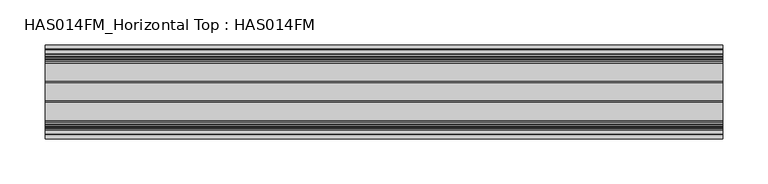
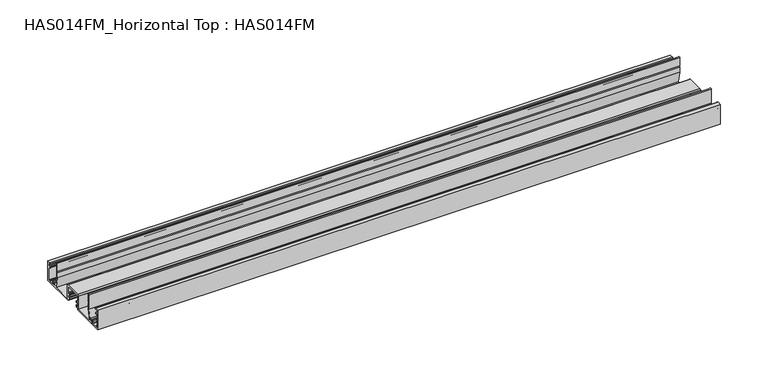
"""IFC4 building model written with IfcOpenShell, lengths in millimetres: beam geometry, HAS014FM_Horizontal Top : HAS014FM."""

from ifc_helpers import new_model, si_unit, point, frame, frame_2d, origin, place, context, project, spatial, polyline, circle_curve, trimmed, segment, composite_curve, outline, extrude, source, transform, mapped, element, save


def has014fm_horizontal_top_has014fm_cf0ab3ad(model_context):
    return source(origin(), model_context, "Body", "SweptSolid", [
        extrude(outline(composite_curve([segment(polyline([(9.7397316, -31.7708648), (8.0332081, -31.7708648)]), True, "CONTINUOUS"), segment(trimmed(circle_curve(frame_2d((8.0332081, -31.2689461)), 0.5019187), [point((8.0332081, -31.7708648))], [point((7.5312895, -31.2689461))], False, "CARTESIAN"), True, "CONTINUOUS"), segment(polyline([(7.5312895, -31.2689461), (7.5312895, -29.6635739)]), True, "CONTINUOUS"), segment(trimmed(circle_curve(frame_2d((8.0332081, -29.6635739)), 0.5019187), [point((7.5312895, -29.6635739))], [point((8.5351268, -29.6635739))], False, "CARTESIAN"), True, "CONTINUOUS"), segment(polyline([(8.5351268, -29.6635739), (8.5351268, -30.4658763), (9.940499, -30.4658763), (9.940499, -25.0451548), (8.5351268, -25.0451548), (8.5351268, -25.8474572)]), True, "CONTINUOUS"), segment(trimmed(circle_curve(frame_2d((8.0332081, -25.8474572)), 0.5019187), [point((8.5351268, -25.8474572))], [point((7.5312895, -25.8474572))], False, "CARTESIAN"), True, "CONTINUOUS"), segment(polyline([(7.5312895, -25.8474572), (7.5312895, -24.2420849)]), True, "CONTINUOUS"), segment(trimmed(circle_curve(frame_2d((8.0332081, -24.2420849)), 0.5019187), [point((7.5312895, -24.2420849))], [point((8.0332081, -23.7401663))], False, "CARTESIAN"), True, "CONTINUOUS"), segment(polyline([(8.0332081, -23.7401663), (9.7397316, -23.7401663), (9.7397316, -16.1110027), (-9.7397316, -16.1110027), (-9.7397316, -23.7401663), (-8.0332081, -23.7401663)]), True, "CONTINUOUS"), segment(trimmed(circle_curve(frame_2d((-8.0332081, -24.2420849)), 0.5019187), [point((-8.0332081, -23.7401663))], [point((-7.5312895, -24.2420849))], False, "CARTESIAN"), True, "CONTINUOUS"), segment(polyline([(-7.5312895, -24.2420849), (-7.5312895, -25.8474572)]), True, "CONTINUOUS"), segment(trimmed(circle_curve(frame_2d((-8.0332081, -25.8474572)), 0.5019187), [point((-7.5312895, -25.8474572))], [point((-8.5351268, -25.8474572))], False, "CARTESIAN"), True, "CONTINUOUS"), segment(polyline([(-8.5351268, -25.8474572), (-8.5351268, -25.0451548), (-9.940499, -25.0451548), (-9.940499, -30.4658763), (-8.5351268, -30.4658763), (-8.5351268, -29.6635739)]), True, "CONTINUOUS"), segment(trimmed(circle_curve(frame_2d((-8.0332081, -29.6635739)), 0.5019187), [point((-8.5351268, -29.6635739))], [point((-7.5312895, -29.6635739))], False, "CARTESIAN"), True, "CONTINUOUS"), segment(polyline([(-7.5312895, -29.6635739), (-7.5312895, -31.2689461)]), True, "CONTINUOUS"), segment(trimmed(circle_curve(frame_2d((-8.0332081, -31.2689461)), 0.5019187), [point((-7.5312895, -31.2689461))], [point((-8.0332081, -31.7708648))], False, "CARTESIAN"), True, "CONTINUOUS"), segment(polyline([(-8.0332081, -31.7708648), (-9.7397316, -31.7708648), (-9.7397316, -34.1298825), (-51.998773, -34.1298825), (-51.998773, -9.0339496), (-47.6822725, -9.0339496)]), True, "CONTINUOUS"), segment(trimmed(circle_curve(frame_2d((-47.6822725, -9.7366357)), 0.7026861), [point((-47.6822725, -9.0339496))], [point((-47.6822725, -10.4393218))], False, "CARTESIAN"), True, "CONTINUOUS"), segment(polyline([(-47.6822725, -10.4393218), (-50.6435926, -10.4393218), (-50.6435926, -13.7017931), (-48.9370692, -13.7017931)]), True, "CONTINUOUS"), segment(trimmed(circle_curve(frame_2d((-48.9370692, -14.504863)), 0.8030699), [point((-48.9370692, -13.7017931))], [point((-48.1339993, -14.504863))], False, "CARTESIAN"), True, "CONTINUOUS"), segment(polyline([(-48.1339993, -14.504863), (-48.1339993, -15.7094677)]), True, "CONTINUOUS"), segment(trimmed(circle_curve(frame_2d((-48.635918, -15.7094677)), 0.5019187), [point((-48.1339993, -15.7094677))], [point((-49.1378366, -15.7094677))], False, "CARTESIAN"), True, "CONTINUOUS"), segment(polyline([(-49.1378366, -15.7094677), (-49.1378366, -14.7056304), (-50.6435926, -14.7056304), (-50.6435926, -32.7747021), (-49.1378366, -32.7747021), (-49.1378366, -31.7708648)]), True, "CONTINUOUS"), segment(trimmed(circle_curve(frame_2d((-48.635918, -31.7708648)), 0.5019187), [point((-49.1378366, -31.7708648))], [point((-48.1339993, -31.7708648))], False, "CARTESIAN"), True, "CONTINUOUS"), segment(polyline([(-48.1339993, -31.7708648), (-48.1339993, -32.7747021), (-41.4082317, -32.7747021)]), True, "CONTINUOUS"), segment(trimmed(circle_curve(frame_2d((-38.9488879, -30.8679975)), 3.1118957), [point((-41.4082317, -32.7747021))], [point((-41.283567, -28.810531))], False, "CARTESIAN"), True, "CONTINUOUS"), segment(trimmed(circle_curve(frame_2d((-40.7187253, -29.3083052)), 0.752878), [point((-41.283567, -28.810531))], [point((-40.1538835, -29.8060793))], False, "CARTESIAN"), True, "CONTINUOUS"), segment(trimmed(circle_curve(frame_2d((-38.9488879, -30.8679975)), 1.6061397), [point((-40.1538835, -29.8060793))], [point((-38.9120232, -32.4737141))], True, "CARTESIAN"), True, "CONTINUOUS"), segment(trimmed(circle_curve(frame_2d((-38.9488879, -30.8679975)), 1.6061397), [point((-38.9120232, -32.4737141))], [point((-37.7438922, -29.8060793))], True, "CARTESIAN"), True, "CONTINUOUS"), segment(trimmed(circle_curve(frame_2d((-37.1790505, -29.3083052)), 0.752878), [point((-37.7438922, -29.8060793))], [point((-36.6142088, -28.810531))], False, "CARTESIAN"), True, "CONTINUOUS"), segment(polyline([(-36.6142088, -28.810531), (-35.692704, -29.7320358), (-33.4779745, -18.9347678), (-33.4779745, -0.6775902)]), True, "CONTINUOUS"), segment(trimmed(circle_curve(frame_2d((-32.8003843, -0.6775902)), 0.6775902), [point((-33.4779745, -0.6775902))], [point((-32.1227941, -0.6775902))], False, "CARTESIAN"), True, "CONTINUOUS"), segment(polyline([(-32.1227941, -0.6775902), (-32.1227941, -10.5402918), (-32.925864, -10.5402918), (-32.1227941, -12.4331683), (-32.1227941, -19.0723228), (-34.9335386, -32.7752884), (-11.2956794, -32.7752884), (-11.2956794, -15.7596596)]), True, "CONTINUOUS"), segment(trimmed(circle_curve(frame_2d((-10.0910746, -15.7596596)), 1.2046048), [point((-11.2956794, -15.7596596))], [point((-10.0910746, -14.5550548))], False, "CARTESIAN"), True, "CONTINUOUS"), segment(polyline([(-10.0910746, -14.5550548), (10.0910746, -14.5550548)]), True, "CONTINUOUS"), segment(trimmed(circle_curve(frame_2d((10.0910746, -15.7596596)), 1.2046048), [point((10.0910746, -14.5550548))], [point((11.2956794, -15.7596596))], False, "CARTESIAN"), True, "CONTINUOUS"), segment(polyline([(11.2956794, -15.7596596), (11.2956794, -32.7752884), (34.9335386, -32.7752884), (32.1227941, -19.0723228), (32.1227941, -12.4331683), (32.925864, -10.5402918), (32.1227941, -10.5402918), (32.1227941, -0.6775902)]), True, "CONTINUOUS"), segment(trimmed(circle_curve(frame_2d((32.8003843, -0.6775902)), 0.6775902), [point((32.1227941, -0.6775902))], [point((33.4779745, -0.6775902))], False, "CARTESIAN"), True, "CONTINUOUS"), segment(polyline([(33.4779745, -0.6775902), (33.4779745, -18.9347678), (35.692704, -29.7320358), (36.6142088, -28.810531)]), True, "CONTINUOUS"), segment(trimmed(circle_curve(frame_2d((37.1790505, -29.3083052)), 0.752878), [point((36.6142088, -28.810531))], [point((37.7438922, -29.8060793))], False, "CARTESIAN"), True, "CONTINUOUS"), segment(trimmed(circle_curve(frame_2d((38.9488879, -30.8679975)), 1.6061397), [point((37.7438922, -29.8060793))], [point((39.0041772, -32.4731853))], True, "CARTESIAN"), True, "CONTINUOUS"), segment(trimmed(circle_curve(frame_2d((38.9488879, -30.8679975)), 1.6061397), [point((39.0041772, -32.4731853))], [point((40.1538836, -29.8060793))], True, "CARTESIAN"), True, "CONTINUOUS"), segment(trimmed(circle_curve(frame_2d((40.7187253, -29.3083052)), 0.752878), [point((40.1538836, -29.8060793))], [point((41.283567, -28.810531))], False, "CARTESIAN"), True, "CONTINUOUS"), segment(trimmed(circle_curve(frame_2d((38.9488879, -30.8679975)), 3.1118957), [point((41.283567, -28.810531))], [point((41.4082317, -32.7747021))], False, "CARTESIAN"), True, "CONTINUOUS"), segment(polyline([(41.4082317, -32.7747021), (48.1339993, -32.7747021), (48.1339993, -31.7708648)]), True, "CONTINUOUS"), segment(trimmed(circle_curve(frame_2d((48.635918, -31.7708648)), 0.5019187), [point((48.1339993, -31.7708648))], [point((49.1378366, -31.7708648))], False, "CARTESIAN"), True, "CONTINUOUS"), segment(polyline([(49.1378366, -31.7708648), (49.1378366, -32.7747021), (50.6435926, -32.7747021), (50.6435926, -14.7056304), (49.1378366, -14.7056304), (49.1378366, -15.7094677)]), True, "CONTINUOUS"), segment(trimmed(circle_curve(frame_2d((48.635918, -15.7094677)), 0.5019187), [point((49.1378366, -15.7094677))], [point((48.1339993, -15.7094677))], False, "CARTESIAN"), True, "CONTINUOUS"), segment(polyline([(48.1339993, -15.7094677), (48.1339993, -14.504863)]), True, "CONTINUOUS"), segment(trimmed(circle_curve(frame_2d((48.9370692, -14.504863)), 0.8030699), [point((48.1339993, -14.504863))], [point((48.9370692, -13.7017931))], False, "CARTESIAN"), True, "CONTINUOUS"), segment(polyline([(48.9370692, -13.7017931), (50.6435926, -13.7017931), (50.6435926, -10.4393218), (47.6822725, -10.4393218)]), True, "CONTINUOUS"), segment(trimmed(circle_curve(frame_2d((47.6822725, -9.7366357)), 0.7026861), [point((47.6822725, -10.4393218))], [point((47.6822725, -9.0339496))], False, "CARTESIAN"), True, "CONTINUOUS"), segment(polyline([(47.6822725, -9.0339496), (51.998773, -9.0339496), (51.998773, -34.1298825), (9.7397316, -34.1298825), (9.7397316, -31.7708648)]), True, "CONTINUOUS")], self_intersect=False)), frame((-374.9040671, 0.0, 0.0), z_axis=(1.0, 0.0, 0.0), x_axis=(0.0, 1.0, 0.0)), (0.0, 0.0, 1.0), 749.8081342),
    ])


if __name__ == "__main__":
    model = new_model("IFC4")
    model_context = context("Model", 3, world=origin())
    ifc_project = project(units=[si_unit("LENGTHUNIT", "METRE", prefix="MILLI")], contexts=[model_context])
    site = spatial("IfcSite", under=ifc_project)
    building = spatial("IfcBuilding", under=site)
    placement = place(None, origin())
    has014fm_horizontal_top_has014fm_shape = has014fm_horizontal_top_has014fm_cf0ab3ad(model_context)
    element("IfcBeam", 1, ObjectType="HAS014FM_Horizontal Top : HAS014FM", at=placement, inside=building, context=model_context, shape_type="MappedRepresentation", body=[
        mapped(has014fm_horizontal_top_has014fm_shape, transform((0.0, 0.0, 0.0), x_axis=(1.0, 0.0, 0.0), y_axis=(0.0, 1.0, 0.0), z_axis=(0.0, 0.0, 1.0))),
    ])
    save(model, "model.ifc")
